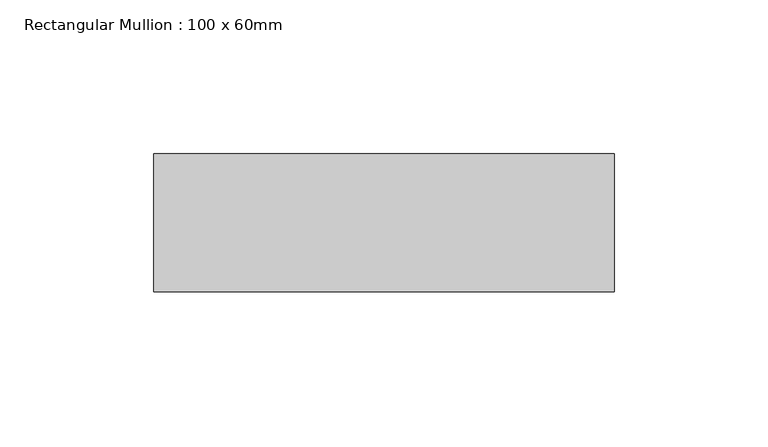
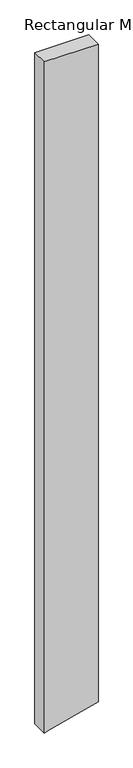
"""IFC4 building model written with IfcOpenShell, lengths in millimetres: member geometry, Rectangular Mullion : 100 x 60mm."""

from ifc_helpers import new_model, si_unit, frame, origin, place, context, project, spatial, polyline, outline, extrude, source, transform, mapped, element, save


def rectangular_mullion_100_x_60mm_cf55d6b4(model_context):
    return source(origin(), model_context, "Body", "SweptSolid", [
        extrude(outline(polyline([(0.0, 75.0), (0.0, -75.0), (-1977.6161324, -75.0), (-1974.8575315, -64.7047613), (-1937.4237535, 75.0), (0.0, 75.0)])), frame((0.0, -30.0, 0.0), z_axis=(0.0, 1.0, 0.0), x_axis=(0.0, 0.0, 1.0)), (0.0, 0.0, 1.0), 45.0),
    ])


if __name__ == "__main__":
    model = new_model("IFC4")
    model_context = context("Model", 3, world=origin())
    ifc_project = project(units=[si_unit("LENGTHUNIT", "METRE", prefix="MILLI")], contexts=[model_context])
    site = spatial("IfcSite", under=ifc_project)
    building = spatial("IfcBuilding", under=site)
    placement = place(None, origin())
    rectangular_mullion_100_x_60mm_shape = rectangular_mullion_100_x_60mm_cf55d6b4(model_context)
    element("IfcMember", 1, ObjectType="Rectangular Mullion : 100 x 60mm", at=placement, inside=building, context=model_context, shape_type="MappedRepresentation", body=[
        mapped(rectangular_mullion_100_x_60mm_shape, transform((0.0, 0.0, 0.0), x_axis=(1.0, 0.0, 0.0), y_axis=(0.0, 1.0, 0.0), z_axis=(0.0, 0.0, 1.0))),
    ])
    save(model, "model.ifc")
